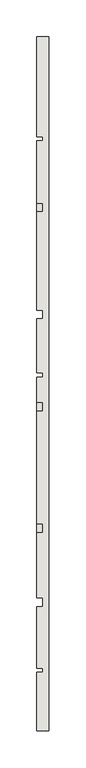
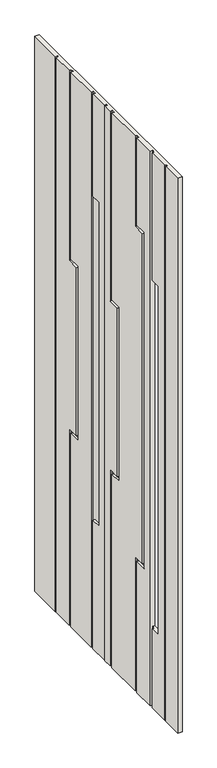
"""IFC4 building model written with IfcOpenShell, lengths in millimetres: wall geometry."""

from ifc_helpers import new_model, si_unit, origin, place, context, project, spatial, faceted_brep, source, transform, mapped, element, save


def wall_d53d3a53(model_context):
    return source(origin(), model_context, "Body", "Brep", [
        faceted_brep([(33271.0624503, -17324.5916386, 4508.0), (33271.0624503, -17324.5916386, 6736.0), (33271.0624503, -17245.5916386, 6736.0), (33271.0624503, -17245.5916386, 4508.0), (33271.0624503, -16384.5916386, 6736.0), (33271.0624503, -16384.5916386, 4508.0), (33271.0624503, -16519.5916386, 4508.0), (33271.0624503, -16519.5916386, 6736.0), (33271.0624503, -17156.5916386, 4508.0), (33271.0624503, -17239.5916386, 4508.0), (33271.0624503, -17239.5916386, 6736.0), (33271.0624503, -17156.5916386, 6736.0), (33271.0624503, -17156.5916386, 6225.0), (33271.0624503, -17196.5916386, 6225.0), (33271.0624503, -17196.5916386, 4825.0), (33271.0624503, -17156.5916386, 4825.0), (33271.0624503, -17056.0603368, 4508.0), (33271.0624503, -17144.5916386, 4508.0), (33271.0624503, -17144.5916386, 6736.0), (33271.0624503, -17056.0603368, 6736.0), (33271.0624503, -17056.0603368, 6385.0), (33271.0624503, -17104.0603368, 6385.0), (33271.0624503, -17104.0603368, 5035.0), (33271.0624503, -17056.0603368, 5035.0), (33271.0624503, -16891.5916386, 4508.0), (33271.0624503, -17044.0603368, 4508.0), (33271.0624503, -17044.0603368, 5047.0), (33271.0624503, -17092.0603368, 5047.0), (33271.0624503, -17092.0603368, 6373.0), (33271.0624503, -17044.0603368, 6373.0), (33271.0624503, -17044.0603368, 6736.0), (33271.0624503, -16891.5916386, 6736.0), (33271.0624503, -16891.5916386, 5985.0), (33271.0624503, -16939.5916386, 5985.0), (33271.0624503, -16939.5916386, 5285.0), (33271.0624503, -16891.5916386, 5285.0), (33271.0624503, -16845.5916386, 4508.0), (33271.0624503, -16879.5916386, 4508.0), (33271.0624503, -16879.5916386, 5297.0), (33271.0624503, -16927.5916386, 5297.0), (33271.0624503, -16927.5916386, 5973.0), (33271.0624503, -16879.5916386, 5973.0), (33271.0624503, -16879.5916386, 6736.0), (33271.0624503, -16845.5916386, 6736.0), (33271.0624503, -16766.5916386, 4508.0), (33271.0624503, -16839.5916386, 4508.0), (33271.0624503, -16839.5916386, 6736.0), (33271.0624503, -16766.5916386, 6736.0), (33271.0624503, -16766.5916386, 6325.0), (33271.0624503, -16806.5916386, 6325.0), (33271.0624503, -16806.5916386, 5025.0), (33271.0624503, -16766.5916386, 5025.0), (33271.0624503, -16621.5916386, 4508.0), (33271.0624503, -16754.5916386, 4508.0), (33271.0624503, -16754.5916386, 6736.0), (33271.0624503, -16621.5916386, 6736.0), (33271.0624503, -16621.5916386, 5985.0), (33271.0624503, -16669.5916386, 5985.0), (33271.0624503, -16669.5916386, 5285.0), (33271.0624503, -16621.5916386, 5285.0), (33271.0624503, -16525.5916386, 4508.0), (33271.0624503, -16609.5916386, 4508.0), (33271.0624503, -16609.5916386, 5297.0), (33271.0624503, -16657.5916386, 5297.0), (33271.0624503, -16657.5916386, 5973.0), (33271.0624503, -16609.5916386, 5973.0), (33271.0624503, -16609.5916386, 6736.0), (33271.0624503, -16525.5916386, 6736.0), (33287.0624503, -16384.5916386, 4508.0), (33287.0624503, -16384.5916386, 6736.0), (33287.0624503, -17324.5916386, 6736.0), (33287.0624503, -17324.5916386, 4508.0), (33287.0624503, -17196.5916386, 6225.0), (33287.0624503, -17144.5916386, 6225.0), (33287.0624503, -17144.5916386, 4825.0), (33287.0624503, -17196.5916386, 4825.0), (33279.0624503, -17245.5916386, 4508.0), (33279.0624503, -17239.5916386, 4508.0), (33279.0624503, -17156.5916386, 4508.0), (33279.0624503, -17144.5916386, 4508.0), (33279.0624503, -17056.0603368, 4508.0), (33279.0624503, -17044.0603368, 4508.0), (33279.0624503, -16891.5916386, 4508.0), (33279.0624503, -16879.5916386, 4508.0), (33279.0624503, -16845.5916386, 4508.0), (33279.0624503, -16839.5916386, 4508.0), (33279.0624503, -16766.5916386, 4508.0), (33279.0624503, -16754.5916386, 4508.0), (33279.0624503, -16621.5916386, 4508.0), (33279.0624503, -16609.5916386, 4508.0), (33279.0624503, -16525.5916386, 4508.0), (33279.0624503, -16519.5916386, 4508.0), (33279.0624503, -16519.5916386, 6736.0), (33279.0624503, -16525.5916386, 6736.0), (33279.0624503, -16609.5916386, 6736.0), (33279.0624503, -16621.5916386, 6736.0), (33279.0624503, -16754.5916386, 6736.0), (33279.0624503, -16766.5916386, 6736.0), (33279.0624503, -16839.5916386, 6736.0), (33279.0624503, -16845.5916386, 6736.0), (33279.0624503, -16879.5916386, 6736.0), (33279.0624503, -16891.5916386, 6736.0), (33279.0624503, -17044.0603368, 6736.0), (33279.0624503, -17056.0603368, 6736.0), (33279.0624503, -17144.5916386, 6736.0), (33279.0624503, -17156.5916386, 6736.0), (33279.0624503, -17239.5916386, 6736.0), (33279.0624503, -17245.5916386, 6736.0), (33279.0624503, -17156.5916386, 6225.0), (33279.0624503, -17144.5916386, 6225.0), (33279.0624503, -17156.5916386, 4825.0), (33279.0624503, -17144.5916386, 4825.0), (33279.0624503, -17092.0603368, 6373.0), (33279.0624503, -17092.0603368, 5047.0), (33279.0624503, -17044.0603368, 5047.0), (33279.0624503, -17056.0603368, 5035.0), (33279.0624503, -17104.0603368, 5035.0), (33279.0624503, -17104.0603368, 6385.0), (33279.0624503, -17056.0603368, 6385.0), (33279.0624503, -17044.0603368, 6373.0), (33279.0624503, -16879.5916386, 5973.0), (33279.0624503, -16927.5916386, 5973.0), (33279.0624503, -16927.5916386, 5297.0), (33279.0624503, -16879.5916386, 5297.0), (33279.0624503, -16891.5916386, 5285.0), (33279.0624503, -16939.5916386, 5285.0), (33279.0624503, -16939.5916386, 5985.0), (33279.0624503, -16891.5916386, 5985.0), (33279.0624503, -16766.5916386, 6325.0), (33279.0624503, -16766.5916386, 5025.0), (33279.0624503, -16806.5916386, 5025.0), (33279.0624503, -16806.5916386, 6325.0), (33279.0624503, -16609.5916386, 5973.0), (33279.0624503, -16657.5916386, 5973.0), (33279.0624503, -16657.5916386, 5297.0), (33279.0624503, -16609.5916386, 5297.0), (33279.0624503, -16621.5916386, 5285.0), (33279.0624503, -16669.5916386, 5285.0), (33279.0624503, -16669.5916386, 5985.0), (33279.0624503, -16621.5916386, 5985.0)], [[[0, 1, 2, 3]], [[4, 5, 6, 7]], [[8, 9, 10, 11, 12, 13, 14, 15]], [[16, 17, 18, 19, 20, 21, 22, 23]], [[24, 25, 26, 27, 28, 29, 30, 31, 32, 33, 34, 35]], [[36, 37, 38, 39, 40, 41, 42, 43]], [[44, 45, 46, 47, 48, 49, 50, 51]], [[52, 53, 54, 55, 56, 57, 58, 59]], [[60, 61, 62, 63, 64, 65, 66, 67]], [[68, 69, 70, 71], [72, 73, 74, 75]], [[68, 71, 0, 3, 76, 77, 9, 8, 78, 79, 17, 16, 80, 81, 25, 24, 82, 83, 37, 36, 84, 85, 45, 44, 86, 87, 53, 52, 88, 89, 61, 60, 90, 91, 6, 5]], [[1, 0, 71, 70]], [[70, 69, 4, 7, 92, 93, 67, 66, 94, 95, 55, 54, 96, 97, 47, 46, 98, 99, 43, 42, 100, 101, 31, 30, 102, 103, 19, 18, 104, 105, 11, 10, 106, 107, 2, 1]], [[5, 4, 69, 68]], [[106, 77, 76, 107]], [[108, 105, 104, 109]], [[78, 110, 111, 79]], [[112, 113, 114, 81, 80, 115, 116, 117, 118, 103, 102, 119]], [[100, 120, 121, 122, 123, 83, 82, 124, 125, 126, 127, 101]], [[98, 85, 84, 99]], [[128, 97, 96, 87, 86, 129, 130, 131]], [[94, 132, 133, 134, 135, 89, 88, 136, 137, 138, 139, 95]], [[92, 91, 90, 93]], [[107, 76, 3, 2]], [[77, 106, 10, 9]], [[12, 108, 109, 73, 72, 13]], [[13, 72, 75, 14]], [[14, 75, 74, 111, 110, 15]], [[110, 78, 8, 15]], [[17, 79, 111, 74, 73, 109, 104, 18]], [[105, 108, 12, 11]], [[112, 119, 29, 28]], [[119, 102, 30, 29]], [[103, 118, 20, 19]], [[118, 117, 21, 20]], [[117, 116, 22, 21]], [[116, 115, 23, 22]], [[115, 80, 16, 23]], [[81, 114, 26, 25]], [[114, 113, 27, 26]], [[113, 112, 28, 27]], [[101, 127, 32, 31]], [[127, 126, 33, 32]], [[126, 125, 34, 33]], [[125, 124, 35, 34]], [[124, 82, 24, 35]], [[83, 123, 38, 37]], [[123, 122, 39, 38]], [[122, 121, 40, 39]], [[121, 120, 41, 40]], [[120, 100, 42, 41]], [[99, 84, 36, 43]], [[85, 98, 46, 45]], [[128, 131, 49, 48]], [[131, 130, 50, 49]], [[130, 129, 51, 50]], [[129, 86, 44, 51]], [[87, 96, 54, 53]], [[97, 128, 48, 47]], [[95, 139, 56, 55]], [[139, 138, 57, 56]], [[138, 137, 58, 57]], [[137, 136, 59, 58]], [[136, 88, 52, 59]], [[89, 135, 62, 61]], [[135, 134, 63, 62]], [[134, 133, 64, 63]], [[133, 132, 65, 64]], [[132, 94, 66, 65]], [[93, 90, 60, 67]], [[91, 92, 7, 6]]]),
    ])


if __name__ == "__main__":
    model = new_model("IFC4")
    model_context = context("Model", 3, world=origin())
    ifc_project = project(units=[si_unit("LENGTHUNIT", "METRE", prefix="MILLI")], contexts=[model_context])
    site = spatial("IfcSite", under=ifc_project)
    building = spatial("IfcBuilding", under=site)
    placement = place(None, origin())
    wall_shape = wall_d53d3a53(model_context)
    element("IfcWall", 1, at=placement, inside=building, context=model_context, shape_type="MappedRepresentation", body=[
        mapped(wall_shape, transform((0.0, 0.0, 0.0), x_axis=(1.0, 0.0, 0.0), y_axis=(0.0, 1.0, 0.0), z_axis=(0.0, 0.0, 1.0))),
    ])
    save(model, "model.ifc")
